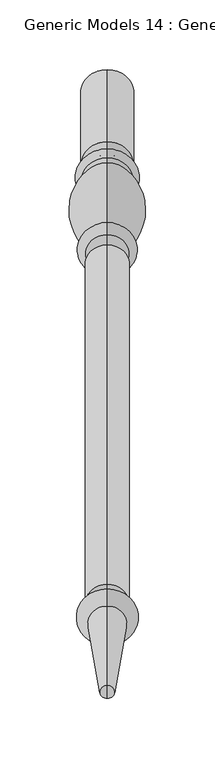
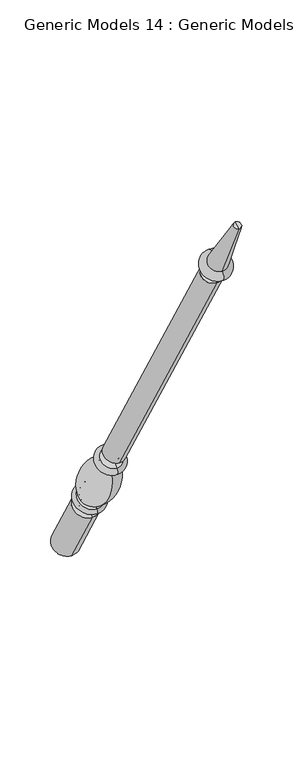
"""IFC4 building model written with IfcOpenShell, lengths in millimetres: proxy geometry, Generic Models 14 : Generic Models 2."""

import ifcopenshell
import ifcopenshell.guid

model = None  # the IFC model being written
_history = None  # IfcOwnerHistory: only IFC2X3 demands one
_inside = {}  # id of a spatial element -> (the spatial element, [elements in it])
_under = {}  # id of a project, library or spatial element -> (it, [spatial elements below it])
_declared = {}  # id of a project -> (the project, [libraries it declares])
_typed = {}  # id of a type object -> (the type object, [elements of that type])
_made_of = {}  # id of a material, layer set ... -> (it, [elements and type objects made of it])


def new_model(schema):
    """Start an empty IFC model of exactly this schema.

    Asked for "IFC4X3", IfcOpenShell would pick the latest addendum, in which some entities
    have other attributes; the version numbers below select the first issue.
    IFC2X3 requires an IfcOwnerHistory on every rooted entity: one is made here for all.
    """
    global model, _history
    if schema == "IFC4X3":
        model = ifcopenshell.file(schema_version=(4, 3, 0, 0))
    else:
        model = ifcopenshell.file(schema=schema)
    _inside.clear()
    _under.clear()
    _declared.clear()
    _typed.clear()
    _made_of.clear()
    _history = None
    if model.schema == "IFC2X3":
        org = make("IfcOrganization", Name="unknown")
        user = make(
            "IfcPersonAndOrganization",
            ThePerson=make("IfcPerson", FamilyName="unknown"),
            TheOrganization=org,
        )
        app = make(
            "IfcApplication",
            ApplicationDeveloper=org,
            Version="unknown",
            ApplicationFullName="unknown",
            ApplicationIdentifier="unknown",
        )
        _history = make(
            "IfcOwnerHistory",
            OwningUser=user,
            OwningApplication=app,
            ChangeAction="ADDED",
            CreationDate=0,
        )
    return model


def make(cls, **values):
    """One entity of the class cls with the attributes given. An attribute that is None is left unset."""
    return model.create_entity(
        cls, **{name: value for name, value in values.items() if value is not None}
    )


def rooted(cls, **values):
    """An entity with a GlobalId (a new one), such as an element, a storey or a relation."""
    return make(cls, GlobalId=ifcopenshell.guid.new(), OwnerHistory=_history, **values)


def si_unit(unit_type, name, prefix=None):
    """IfcSIUnit, for example si_unit("LENGTHUNIT", "METRE", prefix="MILLI")."""
    return make("IfcSIUnit", UnitType=unit_type, Prefix=prefix, Name=name)


def assignment(units):
    """IfcUnitAssignment: the units of a project."""
    return None if units is None else make("IfcUnitAssignment", Units=units)


def point(xyz):
    """IfcCartesianPoint."""
    return None if xyz is None else make("IfcCartesianPoint", Coordinates=xyz)


def direction(xyz):
    """IfcDirection."""
    return None if xyz is None else make("IfcDirection", DirectionRatios=xyz)


def frame(location, z_axis=None, x_axis=None):
    """IfcAxis2Placement3D, a coordinate frame: its origin and axes. An axis left out is left unset."""
    return make(
        "IfcAxis2Placement3D",
        Location=point(location),
        Axis=direction(z_axis),
        RefDirection=direction(x_axis),
    )


def origin():
    """The frame at (0, 0, 0) with its axes left unset."""
    return frame((0.0, 0.0, 0.0))


def place(relative_to, where):
    """IfcLocalPlacement: puts the frame where relative to a parent placement (None: the world)."""
    return make(
        "IfcLocalPlacement", PlacementRelTo=relative_to, RelativePlacement=where
    )


def context(
    kind, dimensions, precision=None, world=None, true_north=None, identifier=None
):
    """IfcGeometricRepresentationContext, for example the 3D "Model" context."""
    return make(
        "IfcGeometricRepresentationContext",
        ContextIdentifier=identifier,
        ContextType=kind,
        CoordinateSpaceDimension=dimensions,
        Precision=precision,
        WorldCoordinateSystem=world,
        TrueNorth=true_north,
    )


def project(units=None, contexts=None):
    """IfcProject with its units and contexts."""
    return rooted(
        "IfcProject",
        Name="project",
        RepresentationContexts=contexts,
        UnitsInContext=assignment(units),
    )


def spatial(cls, under=None, at=None, **own):
    """A site, building, storey or space (cls), placed at a placement, below another one or the project."""
    s = rooted(cls, ObjectPlacement=at, **own)
    if under is not None:
        _under.setdefault(under.id(), (under, []))[1].append(s)
    return s


def polyline(points):
    """IfcPolyline through the points."""
    return make("IfcPolyline", Points=[point(p) for p in points])


def circle_curve(where, radius):
    """IfcCircle in the frame where."""
    return make("IfcCircle", Position=where, Radius=radius)


def ellipse_curve(where, semi_axis1, semi_axis2):
    """IfcEllipse in the frame where."""
    return make(
        "IfcEllipse", Position=where, SemiAxis1=semi_axis1, SemiAxis2=semi_axis2
    )


def trimmed(basis, trim1, trim2, sense, master):
    """IfcTrimmedCurve: the piece of a basis curve between two trims."""
    return make(
        "IfcTrimmedCurve",
        BasisCurve=basis,
        Trim1=trim1,
        Trim2=trim2,
        SenseAgreement=sense,
        MasterRepresentation=master,
    )


def shape(context_of_items, identifier, shape_type, items):
    """IfcShapeRepresentation: the items that make up one representation, for example the "Body"."""
    return make(
        "IfcShapeRepresentation",
        ContextOfItems=context_of_items,
        RepresentationIdentifier=identifier,
        RepresentationType=shape_type,
        Items=items,
    )


def source(mapping_origin, context_of_items, identifier, shape_type, items):
    """IfcRepresentationMap: a shape defined once, which mapped items show again and again."""
    return make(
        "IfcRepresentationMap",
        MappingOrigin=mapping_origin,
        MappedRepresentation=shape(context_of_items, identifier, shape_type, items),
    )


def transform(
    local_origin,
    x_axis=None,
    y_axis=None,
    z_axis=None,
    scale=None,
    scale2=None,
    scale3=None,
    uniform=True,
):
    """IfcCartesianTransformationOperator3D, or its non-uniform kind. x_axis, y_axis, z_axis: its Axis1, 2, 3."""
    if uniform:
        return make(
            "IfcCartesianTransformationOperator3D",
            Axis1=direction(x_axis),
            Axis2=direction(y_axis),
            LocalOrigin=point(local_origin),
            Scale=scale,
            Axis3=direction(z_axis),
        )
    return make(
        "IfcCartesianTransformationOperator3DnonUniform",
        Axis1=direction(x_axis),
        Axis2=direction(y_axis),
        LocalOrigin=point(local_origin),
        Scale=scale,
        Axis3=direction(z_axis),
        Scale2=scale2,
        Scale3=scale3,
    )


def mapped(mapping_source, mapping_target):
    """IfcMappedItem: shows the shape of a source again, moved by a transform."""
    return make(
        "IfcMappedItem", MappingSource=mapping_source, MappingTarget=mapping_target
    )


def made_of(thing, what):
    """Note that an element or type object is made of a material, layer set ...; save() writes the relation."""
    if what is not None:
        _made_of.setdefault(what.id(), (what, []))[1].append(thing)
    return thing


def element(
    cls,
    number,
    at=None,
    inside=None,
    cuts=None,
    type_object=None,
    material=None,
    context=None,
    identifier="Body",
    shape_type=None,
    held_by="IfcProductDefinitionShape",
    body=None,
    shapes=None,
    **own,
):
    """One element of the class cls, such as IfcWall. Its Tag is "e" and its number.

    at: its placement. inside: the storey or other place that contains it. cuts: it is an
    opening in that element (IfcRelVoidsElement). A single representation is given by context,
    identifier, shape_type and body (its items); several are given by shapes. held_by: the class
    of the entity that holds the representations. save() writes the other relations.
    """
    e = rooted(cls, Tag="e%d" % number, ObjectPlacement=at, **own)
    if body is not None:
        shapes = [shape(context, identifier, shape_type, body)]
    if shapes is not None:
        e.Representation = make(held_by, Representations=shapes)
    if inside is not None:
        _inside.setdefault(inside.id(), (inside, []))[1].append(e)
    if cuts is not None:
        rooted(
            "IfcRelVoidsElement", RelatingBuildingElement=cuts, RelatedOpeningElement=e
        )
    if type_object is not None:
        _typed.setdefault(type_object.id(), (type_object, []))[1].append(e)
    return made_of(e, material)


def aggregate(whole, parts):
    """IfcRelAggregates: a whole, such as a stair, and the parts it consists of."""
    return rooted("IfcRelAggregates", RelatingObject=whole, RelatedObjects=parts)


def save(model, path):
    """Write the relations noted so far, then the file.

    IfcRelAggregates (storeys below a building ...), IfcRelContainedInSpatialStructure (elements
    in a storey), IfcRelDefinesByType, IfcRelAssociatesMaterial and IfcRelDeclares: one each for
    every whole, place, type object, material and project.
    """
    for whole, parts in _under.values():
        aggregate(whole, parts)
    for where, things in _inside.values():
        rooted(
            "IfcRelContainedInSpatialStructure",
            RelatedElements=things,
            RelatingStructure=where,
        )
    for kind, things in _typed.values():
        rooted("IfcRelDefinesByType", RelatedObjects=things, RelatingType=kind)
    for what, things in _made_of.values():
        rooted("IfcRelAssociatesMaterial", RelatedObjects=things, RelatingMaterial=what)
    for by, libraries in _declared.values():
        rooted("IfcRelDeclares", RelatingContext=by, RelatedDefinitions=libraries)
    model.write(path)


def plane_surface(at):
    """IfcPlane: the flat surface through the origin of the frame at, square to its z axis."""
    return make("IfcPlane", Position=at)


def cylinder_surface(at, radius):
    """IfcCylindricalSurface: all points at the distance radius from the z axis of the frame at."""
    return make("IfcCylindricalSurface", Position=at, Radius=radius)


def revolved_surface(curve, axis_point, axis_direction):
    """IfcSurfaceOfRevolution: the curve turned about the line through axis_point along axis_direction."""
    return make(
        "IfcSurfaceOfRevolution",
        SweptCurve=make("IfcArbitraryOpenProfileDef", ProfileType="CURVE", Curve=curve),
        AxisPosition=make("IfcAxis1Placement", Location=point(axis_point), Axis=direction(axis_direction)),
    )


def advanced_brep(points, edges, surfaces, faces):
    """IfcAdvancedBrep: a solid bounded by faces that lie on surfaces and meet in shared edges.

    An edge is (start, end): straight between two places in points (the first is 0);
    or (start, end, curve); or (start, end, curve, False) where it runs against its curve.
    A face is (place in surfaces, loops), or (place, loops, False) where it looks against
    its surface's normal. A loop lists edges by number (the first is 1), with a minus sign
    where the edge is run from its end to its start. The first loop is the outer one.
    """
    corners = [point(p) for p in points]
    vertices = [make("IfcVertexPoint", VertexGeometry=c) for c in corners]
    made = []
    for start, end, *more in edges:
        made.append(
            make(
                "IfcEdgeCurve",
                EdgeStart=vertices[start],
                EdgeEnd=vertices[end],
                EdgeGeometry=more[0] if more else make("IfcPolyline", Points=[corners[start], corners[end]]),
                SameSense=more[1] if len(more) > 1 else True,
            )
        )
    hull = []
    for where, loops, *sense in faces:
        bounds = []
        for j, loop in enumerate(loops):
            ring = [make("IfcOrientedEdge", EdgeElement=made[abs(k) - 1], Orientation=k > 0) for k in loop]
            bounds.append(
                make(
                    "IfcFaceOuterBound" if j == 0 else "IfcFaceBound",
                    Bound=make("IfcEdgeLoop", EdgeList=ring),
                    Orientation=True,
                )
            )
        hull.append(make("IfcAdvancedFace", Bounds=bounds, FaceSurface=surfaces[where], SameSense=sense[0] if sense else True))
    return make("IfcAdvancedBrep", Outer=make("IfcClosedShell", CfsFaces=hull))


def generic_models_14_generic_models_2_5bfb1e8b(model_context):
    return source(origin(), model_context, "Body", "AdvancedBrep", [
        advanced_brep(
        [(-832.2684498, 1861.1601077, 610.5814746), (-832.2684498, 1828.1645398, 591.5314746), (-832.2684498, 1880.0576333, 501.65), (-832.2684498, 1913.0532012, 520.7), (-832.2684498, 1853.6896456, 623.5206944), (-832.2684498, 1820.6940777, 604.4706944), (-832.2684498, 1849.5864045, 630.6277165), (-832.2684498, 1816.5908366, 611.5777165), (-832.2684498, 1845.9182158, 636.9812058), (-832.2684498, 1812.9226479, 617.9312058), (-832.2684498, 1801.1569262, 703.055156), (-832.2684498, 1778.0815733, 689.7325947), (-832.2684498, 1799.8610191, 710.4046105), (-832.2684498, 1772.3647125, 694.5296105), (-832.2684498, 1794.1590629, 720.2806883), (-832.2684498, 1766.6627563, 704.4056883), (-832.2684498, 1786.7732215, 733.0733408), (-832.2684498, 1759.276915, 717.1983408), (-832.2684498, 1542.2982215, 1156.516462), (-832.2684498, 1514.801915, 1140.641462), (-832.2684498, 1537.2251467, 1153.5875209), (-832.2684498, 1519.8749898, 1143.5704031), (-832.2684498, 1531.1910418, 1164.0388972), (-832.2684498, 1513.8408848, 1154.0217794), (-832.2684498, 1534.7597609, 1166.0992981), (-832.2684498, 1510.2721658, 1151.9613785), (-832.2684498, 1526.5847892, 1180.2587644), (-832.2684498, 1502.0971941, 1166.1208448), (-832.2684498, 1469.4852742, 1261.8053229), (-832.2684498, 1460.0255603, 1256.3437545), (-832.2684498, 1464.7554173, 1259.0745387), (-832.2684498, 1896.5554173, 511.175)],
        [
            (0, 1, circle_curve(frame((-832.2684498, 1844.6623237, 601.0564746), z_axis=(0.0, 0.5000000000000062, -0.8660254037844352), x_axis=(0.0, -0.8660254037844352, -0.5000000000000062)), 19.05)),
            (1, 2),
            (2, 3, circle_curve(frame((-832.2684498, 1896.5554173, 511.175), z_axis=(0.0, -0.5000000000000062, 0.8660254037844352), x_axis=(0.0, -0.8660254037844352, -0.5000000000000062)), 19.05)),
            (3, 0),
            (1, 0, circle_curve(frame((-832.2684498, 1844.6623237, 601.0564746), z_axis=(0.0, 0.5000000000000062, -0.8660254037844352), x_axis=(0.0, -0.8660254037844352, -0.5000000000000062)), 19.05)),
            (3, 2, circle_curve(frame((-832.2684498, 1896.5554173, 511.175), z_axis=(0.0, -0.5000000000000062, 0.8660254037844352), x_axis=(0.0, -0.8660254037844352, -0.5000000000000062)), 19.05)),
            (4, 5, circle_curve(frame((-832.2684498, 1837.1918617, 613.9956944), z_axis=(0.0, 0.5000000000000062, -0.8660254037844352), x_axis=(0.0, -0.8660254037844352, -0.5000000000000062)), 19.05)),
            (5, 1, circle_curve(frame((-832.2684498, 1821.8102989, 596.4889985), z_axis=(-1.0, 0.0, 0.0), x_axis=(0.0, 0.8660254037844352, 0.5000000000000062)), 8.0593685)),
            (0, 4, circle_curve(frame((-832.2684498, 1860.0438865, 618.5631706), z_axis=(-1.0, 0.0, 0.0), x_axis=(0.0, -0.8660254037844352, -0.5000000000000062)), 8.0593685)),
            (5, 4, circle_curve(frame((-832.2684498, 1837.1918617, 613.9956944), z_axis=(0.0, 0.5000000000000062, -0.8660254037844352), x_axis=(0.0, -0.8660254037844352, -0.5000000000000062)), 19.05)),
            (6, 7, circle_curve(frame((-832.2684498, 1833.0886205, 621.1027165), z_axis=(0.0, 0.5000000000000062, -0.8660254037844352), x_axis=(0.0, -0.8660254037844352, -0.5000000000000062)), 19.05)),
            (7, 5, circle_curve(frame((-832.2684498, 1818.6424572, 608.0242055), z_axis=(1.0, 0.0, 0.0), x_axis=(0.0, 0.8660254037844352, 0.5000000000000062)), 4.1032411)),
            (4, 6, circle_curve(frame((-832.2684498, 1851.638025, 627.0742055), z_axis=(1.0, 0.0, 0.0), x_axis=(0.0, -0.8660254037844352, -0.5000000000000062)), 4.1032411)),
            (7, 6, circle_curve(frame((-832.2684498, 1833.0886205, 621.1027165), z_axis=(0.0, 0.5000000000000062, -0.8660254037844352), x_axis=(0.0, -0.8660254037844352, -0.5000000000000062)), 19.05)),
            (8, 9, circle_curve(frame((-832.2684498, 1829.4204318, 627.4562058), z_axis=(0.0, 0.5000000000000062, -0.8660254037844352), x_axis=(0.0, -0.8660254037844352, -0.5000000000000062)), 19.05)),
            (9, 7, circle_curve(frame((-832.2684498, 1813.3633086, 613.9499618), z_axis=(-1.0, 0.0, 0.0), x_axis=(0.0, 0.8660254037844352, 0.5000000000000062)), 4.0055568)),
            (6, 8, circle_curve(frame((-832.2684498, 1849.1457438, 634.6089605), z_axis=(-1.0, 0.0, 0.0), x_axis=(0.0, -0.8660254037844352, -0.5000000000000062)), 4.0055568)),
            (9, 8, circle_curve(frame((-832.2684498, 1829.4204318, 627.4562058), z_axis=(0.0, 0.5000000000000062, -0.8660254037844352), x_axis=(0.0, -0.8660254037844352, -0.5000000000000062)), 19.05)),
            (10, 11, circle_curve(frame((-832.2684498, 1789.6192497, 696.3938754), z_axis=(0.0, 0.5000000000000062, -0.8660254037844352), x_axis=(0.0, -0.8660254037844352, -0.5000000000000062)), 13.3225612)),
            (11, 9, circle_curve(frame((-832.2684498, 1854.1299968, 682.2806335), z_axis=(1.0, 0.0, 0.0), x_axis=(0.0, 0.8660254037844352, 0.5000000000000062)), 76.412659)),
            (8, 10, circle_curve(frame((-832.2684498, 1769.5863022, 633.4693086), z_axis=(1.0, 0.0, 0.0), x_axis=(0.0, -0.8660254037844352, -0.5000000000000062)), 76.412659)),
            (11, 10, circle_curve(frame((-832.2684498, 1789.6192497, 696.3938754), z_axis=(0.0, 0.5000000000000062, -0.8660254037844352), x_axis=(0.0, -0.8660254037844352, -0.5000000000000062)), 13.3225612)),
            (12, 13, circle_curve(frame((-832.2684498, 1786.1128658, 702.4671105), z_axis=(0.0, 0.5000000000000062, -0.8660254037844352), x_axis=(0.0, -0.8660254037844352, -0.5000000000000062)), 15.875)),
            (13, 11, circle_curve(frame((-832.2684498, 1773.4069828, 689.9666873), z_axis=(-1.0, 0.0, 0.0), x_axis=(0.0, 0.8660254037844352, 0.5000000000000062)), 4.6804482)),
            (10, 12, circle_curve(frame((-832.2684498, 1803.2914914, 707.2205164), z_axis=(-1.0, 0.0, 0.0), x_axis=(0.0, -0.8660254037844352, -0.5000000000000062)), 4.6804482)),
            (13, 12, circle_curve(frame((-832.2684498, 1786.1128658, 702.4671105), z_axis=(0.0, 0.5000000000000062, -0.8660254037844352), x_axis=(0.0, -0.8660254037844352, -0.5000000000000062)), 15.875)),
            (14, 15, circle_curve(frame((-832.2684498, 1780.4109096, 712.3431883), z_axis=(0.0, 0.5000000000000062, -0.8660254037844352), x_axis=(0.0, -0.8660254037844352, -0.5000000000000062)), 15.875)),
            (15, 13, circle_curve(frame((-832.2684498, 1769.5137344, 699.4676494), z_axis=(1.0, 0.0, 0.0), x_axis=(0.0, 0.8660254037844352, 0.5000000000000062)), 5.7019562)),
            (12, 14, circle_curve(frame((-832.2684498, 1797.010041, 715.3426494), z_axis=(1.0, 0.0, 0.0), x_axis=(0.0, -0.8660254037844352, -0.5000000000000062)), 5.7019562)),
            (15, 14, circle_curve(frame((-832.2684498, 1780.4109096, 712.3431883), z_axis=(0.0, 0.5000000000000062, -0.8660254037844352), x_axis=(0.0, -0.8660254037844352, -0.5000000000000062)), 15.875)),
            (16, 17, circle_curve(frame((-832.2684498, 1773.0250683, 725.1358408), z_axis=(0.0, 0.5000000000000062, -0.8660254037844352), x_axis=(0.0, -0.8660254037844352, -0.5000000000000062)), 15.875)),
            (17, 15, circle_curve(frame((-832.2684498, 1762.9698356, 710.8020145), z_axis=(-1.0, 0.0, 0.0), x_axis=(0.0, 0.8660254037844352, 0.5000000000000062)), 7.3858413)),
            (14, 16, circle_curve(frame((-832.2684498, 1790.4661422, 726.6770145), z_axis=(-1.0, 0.0, 0.0), x_axis=(0.0, -0.8660254037844352, -0.5000000000000062)), 7.3858413)),
            (17, 16, circle_curve(frame((-832.2684498, 1773.0250683, 725.1358408), z_axis=(0.0, 0.5000000000000062, -0.8660254037844352), x_axis=(0.0, -0.8660254037844352, -0.5000000000000062)), 15.875)),
            (18, 19, circle_curve(frame((-832.2684498, 1528.5500683, 1148.578962), z_axis=(0.0, 0.5000000000000062, -0.8660254037844352), x_axis=(0.0, -0.8660254037844352, -0.5000000000000062)), 15.875)),
            (19, 17),
            (16, 18),
            (19, 18, circle_curve(frame((-832.2684498, 1528.5500683, 1148.578962), z_axis=(0.0, 0.5000000000000062, -0.8660254037844352), x_axis=(0.0, -0.8660254037844352, -0.5000000000000062)), 15.875)),
            (20, 21, circle_curve(frame((-832.2684498, 1528.5500683, 1148.578962), z_axis=(0.0, 0.5000000000000062, -0.8660254037844352), x_axis=(0.0, -0.8660254037844352, -0.5000000000000062)), 10.0171178)),
            (21, 19),
            (18, 20),
            (21, 20, circle_curve(frame((-832.2684498, 1528.5500683, 1148.578962), z_axis=(0.0, 0.5000000000000062, -0.8660254037844352), x_axis=(0.0, -0.8660254037844352, -0.5000000000000062)), 10.0171178)),
            (22, 23, circle_curve(frame((-832.2684498, 1522.5159633, 1159.0303383), z_axis=(0.0, 0.5000000000000062, -0.8660254037844352), x_axis=(0.0, -0.8660254037844352, -0.5000000000000062)), 10.0171178)),
            (23, 21, circle_curve(frame((-832.2684498, 1515.3020818, 1147.8978177), z_axis=(-1.0, 0.0, 0.0), x_axis=(0.0, 0.8660254037844352, 0.5000000000000062)), 6.295872)),
            (20, 22, circle_curve(frame((-832.2684498, 1535.7639497, 1159.7114826), z_axis=(-1.0, 0.0, 0.0), x_axis=(0.0, -0.8660254037844352, -0.5000000000000062)), 6.295872)),
            (23, 22, circle_curve(frame((-832.2684498, 1522.5159633, 1159.0303383), z_axis=(0.0, 0.5000000000000062, -0.8660254037844352), x_axis=(0.0, -0.8660254037844352, -0.5000000000000062)), 10.0171178)),
            (24, 25, circle_curve(frame((-832.2684498, 1522.5159633, 1159.0303383), z_axis=(0.0, 0.5000000000000062, -0.8660254037844352), x_axis=(0.0, -0.8660254037844352, -0.5000000000000062)), 14.1379196)),
            (25, 23),
            (22, 24),
            (25, 24, circle_curve(frame((-832.2684498, 1522.5159633, 1159.0303383), z_axis=(0.0, 0.5000000000000062, -0.8660254037844352), x_axis=(0.0, -0.8660254037844352, -0.5000000000000062)), 14.1379196)),
            (26, 27, circle_curve(frame((-832.2684498, 1514.3409916, 1173.1898046), z_axis=(0.0, 0.5000000000000062, -0.8660254037844352), x_axis=(0.0, -0.8660254037844352, -0.5000000000000062)), 14.1379196)),
            (27, 25, circle_curve(frame((-832.2684498, 1506.1846799, 1159.0411116), z_axis=(1.0, 0.0, 0.0), x_axis=(0.0, 0.8660254037844352, 0.5000000000000062)), 8.1749717)),
            (24, 26, circle_curve(frame((-832.2684498, 1530.672275, 1173.1790313), z_axis=(1.0, 0.0, 0.0), x_axis=(0.0, -0.8660254037844352, -0.5000000000000062)), 8.1749717)),
            (27, 26, circle_curve(frame((-832.2684498, 1514.3409916, 1173.1898046), z_axis=(0.0, 0.5000000000000062, -0.8660254037844352), x_axis=(0.0, -0.8660254037844352, -0.5000000000000062)), 14.1379196)),
            (28, 29, circle_curve(frame((-832.2684498, 1464.7554173, 1259.0745387), z_axis=(0.0, 0.5000000000000062, -0.8660254037844352), x_axis=(0.0, -0.8660254037844352, -0.5000000000000062)), 5.4615684)),
            (29, 27),
            (26, 28),
            (29, 28, circle_curve(frame((-832.2684498, 1464.7554173, 1259.0745387), z_axis=(0.0, 0.5000000000000062, -0.8660254037844352), x_axis=(0.0, -0.8660254037844352, -0.5000000000000062)), 5.4615684)),
            (30, 29),
            (28, 30),
            (2, 31),
            (31, 3),
        ],
        [
            cylinder_surface(frame((-832.2684498, 1464.7554173, 1259.0745387), z_axis=(0.0, -0.5000000000000062, 0.8660254037844352), x_axis=(0.0, -0.8660254037844352, -0.5000000000000062)), 19.05),
            revolved_surface(trimmed(ellipse_curve(frame((-832.2684498, 1821.8102989, 596.4889985), z_axis=(1.0, 0.0, 0.0), x_axis=(0.0, 0.8660254037844352, 0.5000000000000062)), 8.0593685, 8.0593685), [point((-832.2684498, 1828.1645398, 591.5314746))], [point((-832.2684498, 1820.6940777, 604.4706944))], True, "CARTESIAN"), (-832.2684498, 1464.7554173, 1259.0745387), (0.0, -0.5000000000000062, 0.8660254037844352)),
            revolved_surface(trimmed(ellipse_curve(frame((-832.2684498, 1818.6424572, 608.0242055), z_axis=(-1.0, 0.0, 0.0), x_axis=(0.0, 0.8660254037844352, 0.5000000000000062)), 4.1032411, 4.1032411), [point((-832.2684498, 1820.6940777, 604.4706944))], [point((-832.2684498, 1816.5908366, 611.5777165))], True, "CARTESIAN"), (-832.2684498, 1464.7554173, 1259.0745387), (0.0, -0.5000000000000062, 0.8660254037844352)),
            revolved_surface(trimmed(ellipse_curve(frame((-832.2684498, 1813.3633086, 613.9499618), z_axis=(1.0, 0.0, 0.0), x_axis=(0.0, 0.8660254037844352, 0.5000000000000062)), 4.0055568, 4.0055568), [point((-832.2684498, 1816.5908366, 611.5777165))], [point((-832.2684498, 1812.9226479, 617.9312058))], True, "CARTESIAN"), (-832.2684498, 1464.7554173, 1259.0745387), (0.0, -0.5000000000000062, 0.8660254037844352)),
            revolved_surface(trimmed(ellipse_curve(frame((-832.2684498, 1854.1299968, 682.2806335), z_axis=(-1.0, 0.0, 0.0), x_axis=(0.0, 0.8660254037844352, 0.5000000000000062)), 76.412659, 76.412659), [point((-832.2684498, 1812.9226479, 617.9312058))], [point((-832.2684498, 1778.0815733, 689.7325947))], True, "CARTESIAN"), (-832.2684498, 1464.7554173, 1259.0745387), (0.0, -0.5000000000000062, 0.8660254037844352)),
            revolved_surface(trimmed(ellipse_curve(frame((-832.2684498, 1773.4069828, 689.9666873), z_axis=(1.0, 0.0, 0.0), x_axis=(0.0, 0.8660254037844352, 0.5000000000000062)), 4.6804482, 4.6804482), [point((-832.2684498, 1778.0815733, 689.7325947))], [point((-832.2684498, 1772.3647125, 694.5296105))], True, "CARTESIAN"), (-832.2684498, 1464.7554173, 1259.0745387), (0.0, -0.5000000000000062, 0.8660254037844352)),
            revolved_surface(trimmed(ellipse_curve(frame((-832.2684498, 1769.5137344, 699.4676494), z_axis=(-1.0, 0.0, 0.0), x_axis=(0.0, 0.8660254037844352, 0.5000000000000062)), 5.7019562, 5.7019562), [point((-832.2684498, 1772.3647125, 694.5296105))], [point((-832.2684498, 1766.6627563, 704.4056883))], True, "CARTESIAN"), (-832.2684498, 1464.7554173, 1259.0745387), (0.0, -0.5000000000000062, 0.8660254037844352)),
            revolved_surface(trimmed(ellipse_curve(frame((-832.2684498, 1762.9698356, 710.8020145), z_axis=(1.0, 0.0, 0.0), x_axis=(0.0, 0.8660254037844352, 0.5000000000000062)), 7.3858413, 7.3858413), [point((-832.2684498, 1766.6627563, 704.4056883))], [point((-832.2684498, 1759.276915, 717.1983408))], True, "CARTESIAN"), (-832.2684498, 1464.7554173, 1259.0745387), (0.0, -0.5000000000000062, 0.8660254037844352)),
            cylinder_surface(frame((-832.2684498, 1464.7554173, 1259.0745387), z_axis=(0.0, -0.5000000000000062, 0.8660254037844352), x_axis=(0.0, -0.8660254037844352, -0.5000000000000062)), 15.875),
            plane_surface(frame((-832.2684498, 1528.5500683, 1148.578962), z_axis=(0.0, -0.5000000000000062, 0.8660254037844352), x_axis=(0.0, -0.8660254037844352, -0.5000000000000062))),
            revolved_surface(trimmed(ellipse_curve(frame((-832.2684498, 1515.3020818, 1147.8978177), z_axis=(1.0, 0.0, 0.0), x_axis=(0.0, 0.8660254037844352, 0.5000000000000062)), 6.295872, 6.295872), [point((-832.2684498, 1519.8749898, 1143.5704031))], [point((-832.2684498, 1513.8408848, 1154.0217794))], True, "CARTESIAN"), (-832.2684498, 1464.7554173, 1259.0745387), (0.0, -0.5000000000000062, 0.8660254037844352)),
            plane_surface(frame((-832.2684498, 1522.5159633, 1159.0303383), z_axis=(0.0, 0.5000000000000062, -0.8660254037844352), x_axis=(0.0, -0.8660254037844352, -0.5000000000000062))),
            revolved_surface(trimmed(ellipse_curve(frame((-832.2684498, 1506.1846799, 1159.0411116), z_axis=(-1.0, 0.0, 0.0), x_axis=(0.0, 0.8660254037844352, 0.5000000000000062)), 8.1749717, 8.1749717), [point((-832.2684498, 1510.2721658, 1151.9613785))], [point((-832.2684498, 1502.0971941, 1166.1208448))], True, "CARTESIAN"), (-832.2684498, 1464.7554173, 1259.0745387), (0.0, -0.5000000000000062, 0.8660254037844352)),
            revolved_surface(polyline([(-832.2684498, 1502.0971941, 1166.1208448), (-832.2684498, 1460.0255603, 1256.3437545)]), (-832.2684498, 1464.7554173, 1259.0745387), (0.0, -0.5000000000000062, 0.8660254037844352)),
            plane_surface(frame((-832.2684498, 1464.7554173, 1259.0745387), z_axis=(0.0, -0.5000000000000062, 0.8660254037844352), x_axis=(0.0, -0.8660254037844352, -0.5000000000000062))),
            plane_surface(frame((-832.2684498, 1896.5554173, 511.175), z_axis=(0.0, 0.5000000000000062, -0.8660254037844352), x_axis=(0.0, -0.8660254037844352, -0.5000000000000062))),
        ],
        [
            (0, [[1, 2, 3, 4]]),
            (0, [[5, -4, 6, -2]]),
            (1, [[7, 8, -1, 9]]),
            (1, [[10, -9, -5, -8]]),
            (2, [[11, 12, -7, 13]]),
            (2, [[14, -13, -10, -12]]),
            (3, [[15, 16, -11, 17]]),
            (3, [[18, -17, -14, -16]]),
            (4, [[19, 20, -15, 21]]),
            (4, [[22, -21, -18, -20]]),
            (5, [[23, 24, -19, 25]]),
            (5, [[26, -25, -22, -24]]),
            (6, [[27, 28, -23, 29]]),
            (6, [[30, -29, -26, -28]]),
            (7, [[31, 32, -27, 33]]),
            (7, [[34, -33, -30, -32]]),
            (8, [[35, 36, -31, 37]]),
            (8, [[38, -37, -34, -36]]),
            (9, [[39, 40, -35, 41]]),
            (9, [[42, -41, -38, -40]]),
            (10, [[43, 44, -39, 45]]),
            (10, [[46, -45, -42, -44]]),
            (11, [[47, 48, -43, 49]]),
            (11, [[50, -49, -46, -48]]),
            (12, [[51, 52, -47, 53]]),
            (12, [[54, -53, -50, -52]]),
            (13, [[55, 56, -51, 57]]),
            (13, [[58, -57, -54, -56]]),
            (14, [[59, -55, 60]]),
            (14, [[-60, -58, -59]]),
            (15, [[-3, 61, 62]]),
            (15, [[-6, -62, -61]]),
        ],
    ),
    ])


if __name__ == "__main__":
    model = new_model("IFC4")
    model_context = context("Model", 3, world=origin())
    ifc_project = project(units=[si_unit("LENGTHUNIT", "METRE", prefix="MILLI")], contexts=[model_context])
    site = spatial("IfcSite", under=ifc_project)
    building = spatial("IfcBuilding", under=site)
    placement = place(None, origin())
    generic_models_14_generic_models_2_shape = generic_models_14_generic_models_2_5bfb1e8b(model_context)
    element("IfcBuildingElementProxy", 1, Name="Generic Models 14 : Generic Models 2", ObjectType="Generic Models 14 : Generic Models 2", at=placement, inside=building, context=model_context, shape_type="MappedRepresentation", body=[
        mapped(generic_models_14_generic_models_2_shape, transform((0.0, 0.0, 0.0), x_axis=(1.0, 0.0, 0.0), y_axis=(0.0, 1.0, 0.0), z_axis=(0.0, 0.0, 1.0))),
    ])
    save(model, "model.ifc")
